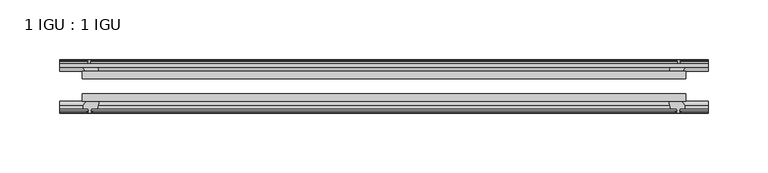
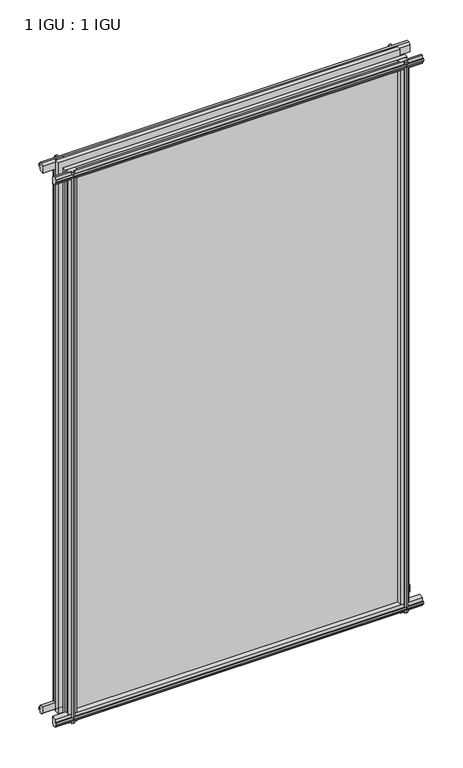
"""IFC4 building model written with IfcOpenShell, lengths in millimetres: plate geometry, 1 IGU : 1 IGU."""

from ifc_helpers import new_model, si_unit, frame, origin, place, context, project, spatial, polyline, outline, extrude, source, transform, mapped, element, save


def plate_1_igu_1_igu_432b7e3f(model_context):
    return source(origin(), model_context, "Body", "SweptSolid", [
        extrude(outline(polyline([(-253.5349802, -38.6468937), (253.5349802, -38.6468937), (253.5349802, -44.9460938), (-253.5349802, -44.9460938), (-253.5349802, -38.6468937)])), frame((0.0, 0.0, -12.7), z_axis=(0.0, 0.0, 1.0), x_axis=(1.0, 0.0, 0.0)), (0.0, 0.0, 1.0), 863.5999996),
        extrude(outline(polyline([(-253.5349802, -19.5460937), (253.5349802, -19.5460937), (253.5349802, -25.8960938), (-253.5349802, -25.8960938), (-253.5349802, -19.5460937)])), frame((0.0, 0.0, -12.7), z_axis=(0.0, 0.0, 1.0), x_axis=(1.0, 0.0, 0.0)), (0.0, 0.0, 1.0), 863.5999996),
        extrude(outline(polyline([(-44.9460937, 1.7177181), (-44.9460937, -9.1036578), (-48.3496937, -11.938), (-51.2960937, -11.938), (-51.2960937, -7.493), (-53.6762907, -7.112), (-53.2163575, -8.5275291), (-54.0175717, -8.5275291), (-54.7250937, -6.35), (-54.0175717, -4.1724709), (-53.2163575, -4.1724709), (-53.6762907, -5.588), (-51.2960937, -5.207), (-51.2960937, 0.0), (-44.9460937, 1.7177181)])), frame((-272.5849802, 0.0, 0.0), z_axis=(1.0, 0.0, 0.0), x_axis=(0.0, 1.0, 0.0)), (0.0, 0.0, 1.0), 545.1699604),
        extrude(outline(polyline([(-13.1960937, -12.4587), (-16.1424937, -12.4587), (-19.5460937, -9.6243578), (-19.5460937, 1.1970181), (-13.1960937, -0.5207), (-13.1960937, -5.7277), (-10.8158968, -6.1087), (-11.27583, -4.6931709), (-10.4746158, -4.6931709), (-9.7670937, -6.8707), (-10.4746158, -9.0482291), (-11.27583, -9.0482291), (-10.8158968, -7.6327), (-13.1960937, -8.0137), (-13.1960937, -12.4587)])), frame((-272.5849802, 0.0, 0.0), z_axis=(1.0, 0.0, 0.0), x_axis=(0.0, 1.0, 0.0)), (0.0, 0.0, 1.0), 545.1699604),
        extrude(outline(polyline([(-51.2960937, 850.1379996), (-48.3496937, 850.1379996), (-44.9460937, 847.3036575), (-44.9460937, 836.4822816), (-51.2960937, 838.1999996), (-51.2960937, 843.4069996), (-53.6762907, 843.7879996), (-53.2163575, 842.3724706), (-54.0175717, 842.3724706), (-54.7250937, 844.5499996), (-54.0175717, 846.7275287), (-53.2163575, 846.7275287), (-53.6762907, 845.3119996), (-51.2960937, 845.6929996), (-51.2960937, 850.1379996)])), frame((-272.5849802, 0.0, 0.0), z_axis=(1.0, 0.0, 0.0), x_axis=(0.0, 1.0, 0.0)), (0.0, 0.0, 1.0), 545.1699604),
        extrude(outline(polyline([(-19.5460937, 837.0029816), (-19.5460937, 847.8243575), (-16.1424937, 850.6586996), (-13.1960937, 850.6586996), (-13.1960937, 846.2136996), (-10.8158968, 845.8326996), (-11.27583, 847.2482287), (-10.4746158, 847.2482287), (-9.7670937, 845.0706996), (-10.4746158, 842.8931706), (-11.27583, 842.8931706), (-10.8158968, 844.3086996), (-13.1960937, 843.9276996), (-13.1960937, 838.7206996), (-19.5460937, 837.0029816)])), frame((-272.5849802, 0.0, 0.0), z_axis=(1.0, 0.0, 0.0), x_axis=(0.0, 1.0, 0.0)), (0.0, 0.0, 1.0), 545.1699604),
        extrude(outline(polyline([(239.6379621, -19.5460938), (241.3556802, -13.1960938), (246.5626802, -13.1960938), (246.9436802, -10.8158968), (245.5281511, -11.27583), (245.5281511, -10.4746158), (247.7056802, -9.7670938), (249.8832092, -10.4746158), (249.8832092, -11.27583), (248.4676802, -10.8158968), (248.8486802, -13.1960938), (253.2936802, -13.1960938), (253.2936802, -16.1424938), (250.459338, -19.5460938), (239.6379621, -19.5460938)])), frame((0.0, 0.0, -12.7), z_axis=(0.0, 0.0, 1.0), x_axis=(1.0, 0.0, 0.0)), (0.0, 0.0, 1.0), 863.5999998),
        extrude(outline(polyline([(239.1172621, -44.9460938), (249.938638, -44.9460938), (252.7729802, -48.3496938), (252.7729802, -51.2960938), (248.3279802, -51.2960938), (247.9469802, -53.6762907), (249.3625092, -53.2163575), (249.3625092, -54.0175717), (247.1849802, -54.7250938), (245.0074511, -54.0175717), (245.0074511, -53.2163575), (246.4229802, -53.6762907), (246.0419802, -51.2960938), (240.8349802, -51.2960938), (239.1172621, -44.9460938)])), frame((0.0, 0.0, -12.7), z_axis=(0.0, 0.0, 1.0), x_axis=(1.0, 0.0, 0.0)), (0.0, 0.0, 1.0), 863.5999998),
        extrude(outline(polyline([(-247.7056802, -9.7670937), (-245.5281511, -10.4746158), (-245.5281511, -11.27583), (-246.9436802, -10.8158968), (-246.5626802, -13.1960937), (-241.3556802, -13.1960937), (-239.6379621, -19.5460937), (-250.459338, -19.5460937), (-253.2936802, -16.1424937), (-253.2936802, -13.1960937), (-248.8486802, -13.1960937), (-248.4676802, -10.8158968), (-249.8832092, -11.27583), (-249.8832092, -10.4746158), (-247.7056802, -9.7670937)])), frame((0.0, 0.0, -12.7), z_axis=(0.0, 0.0, 1.0), x_axis=(1.0, 0.0, 0.0)), (0.0, 0.0, 1.0), 863.5999998),
        extrude(outline(polyline([(-252.7729802, -48.3496937), (-249.938638, -44.9460937), (-239.1172621, -44.9460937), (-240.8349802, -51.2960937), (-246.0419802, -51.2960937), (-246.4229802, -53.6762907), (-245.0074511, -53.2163575), (-245.0074511, -54.0175717), (-247.1849802, -54.7250937), (-249.3625092, -54.0175717), (-249.3625092, -53.2163575), (-247.9469802, -53.6762907), (-248.3279802, -51.2960937), (-252.7729802, -51.2960937), (-252.7729802, -48.3496937)])), frame((0.0, 0.0, -12.7), z_axis=(0.0, 0.0, 1.0), x_axis=(1.0, 0.0, 0.0)), (0.0, 0.0, 1.0), 863.5999998),
    ])


if __name__ == "__main__":
    model = new_model("IFC4")
    model_context = context("Model", 3, world=origin())
    ifc_project = project(units=[si_unit("LENGTHUNIT", "METRE", prefix="MILLI")], contexts=[model_context])
    site = spatial("IfcSite", under=ifc_project)
    building = spatial("IfcBuilding", under=site)
    placement = place(None, origin())
    plate_1_igu_1_igu_shape = plate_1_igu_1_igu_432b7e3f(model_context)
    element("IfcPlate", 1, ObjectType="1 IGU : 1 IGU", at=placement, inside=building, context=model_context, shape_type="MappedRepresentation", body=[
        mapped(plate_1_igu_1_igu_shape, transform((0.0, 0.0, 0.0), x_axis=(1.0, 0.0, 0.0), y_axis=(0.0, 1.0, 0.0), z_axis=(0.0, 0.0, 1.0))),
    ])
    save(model, "model.ifc")
